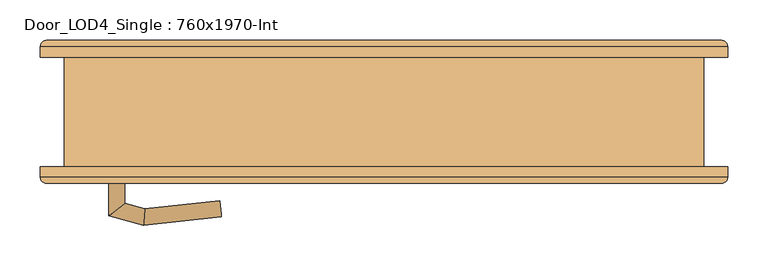
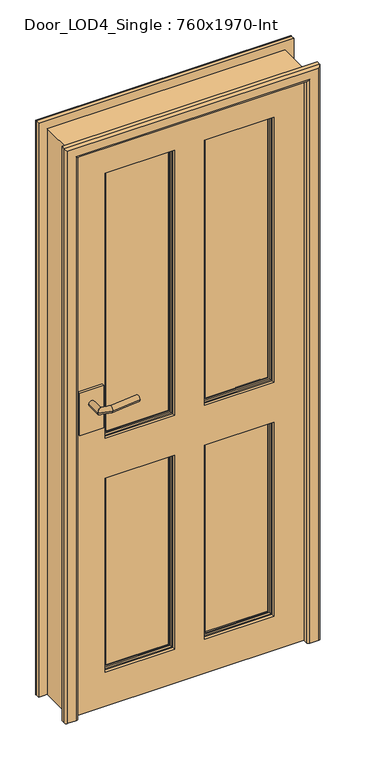
"""IFC4 building model written with IfcOpenShell, lengths in millimetres: door geometry, Door_LOD4_Single : 760x1970-Int."""

from ifc_helpers import new_model, si_unit, frame, origin, place, context, project, spatial, polyline, circle_curve, ellipse_curve, outline, extrude, faceted_brep, source, transform, mapped, element, save
from ifc_brep_helpers import plane_surface, cylinder_surface, advanced_brep


def door_lod4_single_760x1970_int_89f45eca(model_context):
    return source(origin(), model_context, "Body", "SolidModel", [
        advanced_brep(
        [(280.0000152, -37.5, 120.0), (50.0, -37.5, 120.0), (50.0, -37.5, 800.0), (280.0000152, -37.5, 800.0), (53.6443449, -37.5, 123.6443449), (276.3556703, -37.5, 123.6443449), (276.3556703, -37.5, 796.3556551), (53.6443449, -37.5, 796.3556551), (280.0000152, -57.5, 120.0), (280.0000152, -57.5, 800.0), (50.0, -57.5, 800.0), (50.0, -57.5, 120.0), (53.6443449, -57.5, 796.3556551), (276.3556703, -57.5, 796.3556551), (276.3556703, -57.5, 123.6443449), (53.6443449, -57.5, 123.6443449), (60.5, -49.8125, 789.5), (60.5, -52.8125, 789.5), (60.5, -52.8125, 130.5), (60.5, -49.8125, 130.5), (269.5000152, -52.8125, 130.5), (269.5000152, -49.8125, 130.5), (269.5000152, -52.8125, 789.5), (269.5000152, -49.8125, 789.5), (55.9375, -52.8125, 125.9375), (274.0625152, -52.8125, 125.9375), (274.0625152, -52.8125, 794.0625), (55.9375, -52.8125, 794.0625), (60.5, -42.1875, 789.5), (60.5, -45.1875, 789.5), (60.5, -45.1875, 130.5), (60.5, -42.1875, 130.5), (269.5000152, -45.1875, 130.5), (269.5000152, -42.1875, 130.5), (269.5000152, -45.1875, 789.5), (269.5000152, -42.1875, 789.5), (55.9375, -42.1875, 794.0625), (274.0625152, -42.1875, 794.0625), (274.0625152, -42.1875, 125.9375), (55.9375, -42.1875, 125.9375)],
        [
            (0, 1),
            (1, 2),
            (2, 3),
            (3, 0),
            (4, 5),
            (5, 6),
            (6, 7),
            (7, 4),
            (8, 9),
            (9, 10),
            (10, 11),
            (11, 8),
            (12, 13),
            (13, 14),
            (14, 15),
            (15, 12),
            (3, 9),
            (8, 0),
            (2, 10),
            (1, 11),
            (16, 17),
            (17, 18),
            (18, 19),
            (19, 16),
            (18, 20),
            (20, 21),
            (21, 19),
            (20, 22),
            (22, 23),
            (23, 21),
            (24, 25),
            (25, 26),
            (26, 27),
            (27, 24),
            (17, 22),
            (16, 23),
            (27, 12, ellipse_curve(frame((50.0, -52.8125, 800.0), z_axis=(-0.7071067811865475, 0.0, -0.7071067811865475), x_axis=(0.7071067811865474, 0.0, -0.7071067811865476)), 8.396893, 5.9375)),
            (15, 24, ellipse_curve(frame((50.0, -52.8125, 120.0), z_axis=(-0.7071067811865475, 0.0, 0.7071067811865475), x_axis=(-0.7071067811865474, 0.0, -0.7071067811865476)), 8.396893, 5.9375)),
            (14, 25, ellipse_curve(frame((280.0000152, -52.8125, 120.0), z_axis=(-0.7071067811865475, 0.0, -0.7071067811865475), x_axis=(0.7071067811865476, 0.0, -0.7071067811865474)), 8.396893, 5.9375)),
            (13, 26, ellipse_curve(frame((280.0000152, -52.8125, 800.0), z_axis=(0.7071067811865475, 0.0, -0.7071067811865475), x_axis=(0.7071067811865474, 0.0, 0.7071067811865476)), 8.396893, 5.9375)),
            (28, 29),
            (29, 30),
            (30, 31),
            (31, 28),
            (30, 32),
            (32, 33),
            (33, 31),
            (32, 34),
            (34, 35),
            (35, 33),
            (36, 37),
            (37, 38),
            (38, 39),
            (39, 36),
            (35, 28),
            (34, 29),
            (39, 4, ellipse_curve(frame((50.0, -42.1875, 120.0), z_axis=(-0.7071067811865475, 0.0, 0.7071067811865475), x_axis=(-0.7071067811865474, 0.0, -0.7071067811865476)), 8.396893, 5.9375)),
            (7, 36, ellipse_curve(frame((50.0, -42.1875, 800.0), z_axis=(-0.7071067811865475, 0.0, -0.7071067811865475), x_axis=(0.7071067811865474, 0.0, -0.7071067811865476)), 8.396893, 5.9375)),
            (38, 5, ellipse_curve(frame((280.0000152, -42.1875, 120.0), z_axis=(-0.7071067811865475, 0.0, -0.7071067811865475), x_axis=(0.7071067811865476, 0.0, -0.7071067811865474)), 8.396893, 5.9375)),
            (37, 6, ellipse_curve(frame((280.0000152, -42.1875, 800.0), z_axis=(0.7071067811865475, 0.0, -0.7071067811865475), x_axis=(0.7071067811865474, 0.0, 0.7071067811865476)), 8.396893, 5.9375)),
        ],
        [
            plane_surface(frame((280.0000152, -37.5, 120.0), z_axis=(0.0, 1.0, 0.0), x_axis=(0.0, 0.0, 1.0))),
            plane_surface(frame((280.0000152, -57.5, 120.0), z_axis=(0.0, -1.0, 0.0), x_axis=(0.0, 0.0, -1.0))),
            plane_surface(frame((280.0000152, -37.5, 120.0), z_axis=(1.0, 0.0, 0.0), x_axis=(0.0, -1.0, 0.0))),
            plane_surface(frame((280.0000152, -37.5, 800.0), z_axis=(0.0, 0.0, 1.0), x_axis=(0.0, -1.0, 0.0))),
            plane_surface(frame((50.0, -37.5, 800.0), z_axis=(-1.0, 0.0, 0.0), x_axis=(0.0, -1.0, 0.0))),
            plane_surface(frame((50.0, -37.5, 120.0), z_axis=(0.0, 0.0, -1.0), x_axis=(0.0, -1.0, 0.0))),
            plane_surface(frame((60.5, -52.8125, 789.5), z_axis=(1.0, 0.0, 0.0), x_axis=(0.0, 0.0, -1.0))),
            plane_surface(frame((60.5, -52.8125, 130.5), z_axis=(0.0, 0.0, 1.0), x_axis=(1.0, 0.0, 0.0))),
            plane_surface(frame((269.5000152, -52.8125, 130.5), z_axis=(-1.0, 0.0, 0.0), x_axis=(0.0, 0.0, 1.0))),
            plane_surface(frame((274.0625152, -52.8125, 794.0625), z_axis=(0.0, -1.0, 0.0), x_axis=(-1.0, 0.0, 0.0))),
            plane_surface(frame((269.5000152, -52.8125, 789.5), z_axis=(0.0, 0.0, -1.0), x_axis=(-1.0, 0.0, 0.0))),
            plane_surface(frame((269.5000152, -49.8125, 789.5), z_axis=(0.0, -1.0, 0.0), x_axis=(-1.0, 0.0, 0.0))),
            cylinder_surface(frame((50.0, -52.8125, 800.0), z_axis=(0.0, 0.0, -1.0), x_axis=(-1.0, 0.0, 0.0)), 5.9375),
            cylinder_surface(frame((50.0, -52.8125, 120.0), z_axis=(1.0, 0.0, 0.0), x_axis=(0.0, 0.0, -1.0)), 5.9375),
            cylinder_surface(frame((280.0000152, -52.8125, 120.0), z_axis=(0.0, 0.0, 1.0), x_axis=(1.0, 0.0, 0.0)), 5.9375),
            cylinder_surface(frame((280.0000152, -52.8125, 800.0), z_axis=(-1.0, 0.0, 0.0), x_axis=(0.0, 0.0, 1.0)), 5.9375),
            plane_surface(frame((60.5, -45.1875, 789.5), z_axis=(1.0, 0.0, 0.0), x_axis=(0.0, 0.0, -1.0))),
            plane_surface(frame((60.5, -45.1875, 130.5), z_axis=(0.0, 0.0, 1.0), x_axis=(1.0, 0.0, 0.0))),
            plane_surface(frame((269.5000152, -45.1875, 130.5), z_axis=(-1.0, 0.0, 0.0), x_axis=(0.0, 0.0, 1.0))),
            plane_surface(frame((269.5000152, -42.1875, 789.5), z_axis=(0.0, 1.0, 0.0), x_axis=(-1.0, 0.0, 0.0))),
            plane_surface(frame((269.5000152, -45.1875, 789.5), z_axis=(0.0, 0.0, -1.0), x_axis=(-1.0, 0.0, 0.0))),
            plane_surface(frame((246.5442628, -45.1875, 766.5442476), z_axis=(0.0, 1.0, 0.0), x_axis=(-1.0, 0.0, 0.0))),
            cylinder_surface(frame((50.0, -42.1875, 800.0), z_axis=(0.0, 0.0, -1.0), x_axis=(1.0, 0.0, 0.0)), 5.9375),
            cylinder_surface(frame((50.0, -42.1875, 120.0), z_axis=(1.0, 0.0, 0.0), x_axis=(0.0, 0.0, 1.0)), 5.9375),
            cylinder_surface(frame((280.0000152, -42.1875, 120.0), z_axis=(0.0, 0.0, 1.0), x_axis=(-1.0, 0.0, 0.0)), 5.9375),
            cylinder_surface(frame((280.0000152, -42.1875, 800.0), z_axis=(-1.0, 0.0, 0.0), x_axis=(0.0, 0.0, -1.0)), 5.9375),
        ],
        [
            (0, [[1, 2, 3, 4], [5, 6, 7, 8]]),
            (1, [[9, 10, 11, 12], [13, 14, 15, 16]]),
            (2, [[17, -9, 18, -4]]),
            (3, [[19, -10, -17, -3]]),
            (4, [[20, -11, -19, -2]]),
            (5, [[-18, -12, -20, -1]]),
            (6, [[21, 22, 23, 24]]),
            (7, [[25, 26, 27, -23]]),
            (8, [[28, 29, 30, -26]]),
            (9, [[31, 32, 33, 34], [35, -28, -25, -22]]),
            (10, [[36, -29, -35, -21]]),
            (11, [[-27, -30, -36, -24]]),
            (12, [[37, -16, 38, -34]]),
            (13, [[-38, -15, 39, -31]]),
            (14, [[-39, -14, 40, -32]]),
            (15, [[-40, -13, -37, -33]]),
            (16, [[41, 42, 43, 44]]),
            (17, [[45, 46, 47, -43]]),
            (18, [[48, 49, 50, -46]]),
            (19, [[51, 52, 53, 54], [-47, -50, 55, -44]]),
            (20, [[-55, -49, 56, -41]]),
            (21, [[-56, -48, -45, -42]]),
            (22, [[57, -8, 58, -54]]),
            (23, [[59, -5, -57, -53]]),
            (24, [[60, -6, -59, -52]]),
            (25, [[-58, -7, -60, -51]]),
        ],
    ),
        advanced_brep(
        [(-50.0, -37.5, 120.0), (-280.0000152, -37.5, 120.0), (-280.0000152, -37.5, 800.0), (-50.0, -37.5, 800.0), (-276.3556703, -37.5, 123.6443449), (-53.6443449, -37.5, 123.6443449), (-53.6443449, -37.5, 796.3556551), (-276.3556703, -37.5, 796.3556551), (-50.0, -57.5, 120.0), (-50.0, -57.5, 800.0), (-280.0000152, -57.5, 800.0), (-280.0000152, -57.5, 120.0), (-276.3556703, -57.5, 796.3556551), (-53.6443449, -57.5, 796.3556551), (-53.6443449, -57.5, 123.6443449), (-276.3556703, -57.5, 123.6443449), (-269.5000152, -49.8125, 789.5), (-269.5000152, -52.8125, 789.5), (-269.5000152, -52.8125, 130.5), (-269.5000152, -49.8125, 130.5), (-60.5, -52.8125, 130.5), (-60.5, -49.8125, 130.5), (-60.5, -52.8125, 789.5), (-60.5, -49.8125, 789.5), (-274.0625152, -52.8125, 125.9375), (-55.9375, -52.8125, 125.9375), (-55.9375, -52.8125, 794.0625), (-274.0625152, -52.8125, 794.0625), (-269.5000152, -42.1875, 789.5), (-269.5000152, -45.1875, 789.5), (-269.5000152, -45.1875, 130.5), (-269.5000152, -42.1875, 130.5), (-60.5, -45.1875, 130.5), (-60.5, -42.1875, 130.5), (-60.5, -45.1875, 789.5), (-60.5, -42.1875, 789.5), (-274.0625152, -42.1875, 794.0625), (-55.9375, -42.1875, 794.0625), (-55.9375, -42.1875, 125.9375), (-274.0625152, -42.1875, 125.9375)],
        [
            (0, 1),
            (1, 2),
            (2, 3),
            (3, 0),
            (4, 5),
            (5, 6),
            (6, 7),
            (7, 4),
            (8, 9),
            (9, 10),
            (10, 11),
            (11, 8),
            (12, 13),
            (13, 14),
            (14, 15),
            (15, 12),
            (3, 9),
            (8, 0),
            (2, 10),
            (1, 11),
            (16, 17),
            (17, 18),
            (18, 19),
            (19, 16),
            (18, 20),
            (20, 21),
            (21, 19),
            (20, 22),
            (22, 23),
            (23, 21),
            (24, 25),
            (25, 26),
            (26, 27),
            (27, 24),
            (17, 22),
            (16, 23),
            (27, 12, ellipse_curve(frame((-280.0000152, -52.8125, 800.0), z_axis=(-0.7071067811865475, 0.0, -0.7071067811865475), x_axis=(0.7071067811865474, 0.0, -0.7071067811865476)), 8.396893, 5.9375)),
            (15, 24, ellipse_curve(frame((-280.0000152, -52.8125, 120.0), z_axis=(-0.7071067811865475, 0.0, 0.7071067811865475), x_axis=(-0.7071067811865474, 0.0, -0.7071067811865476)), 8.396893, 5.9375)),
            (14, 25, ellipse_curve(frame((-50.0, -52.8125, 120.0), z_axis=(-0.7071067811865475, 0.0, -0.7071067811865475), x_axis=(0.7071067811865476, 0.0, -0.7071067811865474)), 8.396893, 5.9375)),
            (13, 26, ellipse_curve(frame((-50.0, -52.8125, 800.0), z_axis=(0.7071067811865475, 0.0, -0.7071067811865475), x_axis=(0.7071067811865474, 0.0, 0.7071067811865476)), 8.396893, 5.9375)),
            (28, 29),
            (29, 30),
            (30, 31),
            (31, 28),
            (30, 32),
            (32, 33),
            (33, 31),
            (32, 34),
            (34, 35),
            (35, 33),
            (36, 37),
            (37, 38),
            (38, 39),
            (39, 36),
            (35, 28),
            (34, 29),
            (39, 4, ellipse_curve(frame((-280.0000152, -42.1875, 120.0), z_axis=(-0.7071067811865475, 0.0, 0.7071067811865475), x_axis=(-0.7071067811865474, 0.0, -0.7071067811865476)), 8.396893, 5.9375)),
            (7, 36, ellipse_curve(frame((-280.0000152, -42.1875, 800.0), z_axis=(-0.7071067811865475, 0.0, -0.7071067811865475), x_axis=(0.7071067811865474, 0.0, -0.7071067811865476)), 8.396893, 5.9375)),
            (38, 5, ellipse_curve(frame((-50.0, -42.1875, 120.0), z_axis=(-0.7071067811865475, 0.0, -0.7071067811865475), x_axis=(0.7071067811865476, 0.0, -0.7071067811865474)), 8.396893, 5.9375)),
            (37, 6, ellipse_curve(frame((-50.0, -42.1875, 800.0), z_axis=(0.7071067811865475, 0.0, -0.7071067811865475), x_axis=(0.7071067811865474, 0.0, 0.7071067811865476)), 8.396893, 5.9375)),
        ],
        [
            plane_surface(frame((-50.0, -37.5, 120.0), z_axis=(0.0, 1.0, 0.0), x_axis=(0.0, 0.0, 1.0))),
            plane_surface(frame((-50.0, -57.5, 120.0), z_axis=(0.0, -1.0, 0.0), x_axis=(0.0, 0.0, -1.0))),
            plane_surface(frame((-50.0, -37.5, 120.0), z_axis=(1.0, 0.0, 0.0), x_axis=(0.0, -1.0, 0.0))),
            plane_surface(frame((-50.0, -37.5, 800.0), z_axis=(0.0, 0.0, 1.0), x_axis=(0.0, -1.0, 0.0))),
            plane_surface(frame((-280.0000152, -37.5, 800.0), z_axis=(-1.0, 0.0, 0.0), x_axis=(0.0, -1.0, 0.0))),
            plane_surface(frame((-280.0000152, -37.5, 120.0), z_axis=(0.0, 0.0, -1.0), x_axis=(0.0, -1.0, 0.0))),
            plane_surface(frame((-269.5000152, -52.8125, 789.5), z_axis=(1.0, 0.0, 0.0), x_axis=(0.0, 0.0, -1.0))),
            plane_surface(frame((-269.5000152, -52.8125, 130.5), z_axis=(0.0, 0.0, 1.0), x_axis=(1.0, 0.0, 0.0))),
            plane_surface(frame((-60.5, -52.8125, 130.5), z_axis=(-1.0, 0.0, 0.0), x_axis=(0.0, 0.0, 1.0))),
            plane_surface(frame((-55.9375, -52.8125, 794.0625), z_axis=(0.0, -1.0, 0.0), x_axis=(-1.0, 0.0, 0.0))),
            plane_surface(frame((-60.5, -52.8125, 789.5), z_axis=(0.0, 0.0, -1.0), x_axis=(-1.0, 0.0, 0.0))),
            plane_surface(frame((-60.5, -49.8125, 789.5), z_axis=(0.0, -1.0, 0.0), x_axis=(-1.0, 0.0, 0.0))),
            cylinder_surface(frame((-280.0000152, -52.8125, 800.0), z_axis=(0.0, 0.0, -1.0), x_axis=(-1.0, 0.0, 0.0)), 5.9375),
            cylinder_surface(frame((-280.0000152, -52.8125, 120.0), z_axis=(1.0, 0.0, 0.0), x_axis=(0.0, 0.0, -1.0)), 5.9375),
            cylinder_surface(frame((-50.0, -52.8125, 120.0), z_axis=(0.0, 0.0, 1.0), x_axis=(1.0, 0.0, 0.0)), 5.9375),
            cylinder_surface(frame((-50.0, -52.8125, 800.0), z_axis=(-1.0, 0.0, 0.0), x_axis=(0.0, 0.0, 1.0)), 5.9375),
            plane_surface(frame((-269.5000152, -45.1875, 789.5), z_axis=(1.0, 0.0, 0.0), x_axis=(0.0, 0.0, -1.0))),
            plane_surface(frame((-269.5000152, -45.1875, 130.5), z_axis=(0.0, 0.0, 1.0), x_axis=(1.0, 0.0, 0.0))),
            plane_surface(frame((-60.5, -45.1875, 130.5), z_axis=(-1.0, 0.0, 0.0), x_axis=(0.0, 0.0, 1.0))),
            plane_surface(frame((-60.5, -42.1875, 789.5), z_axis=(0.0, 1.0, 0.0), x_axis=(-1.0, 0.0, 0.0))),
            plane_surface(frame((-60.5, -45.1875, 789.5), z_axis=(0.0, 0.0, -1.0), x_axis=(-1.0, 0.0, 0.0))),
            plane_surface(frame((-83.4557524, -45.1875, 766.5442476), z_axis=(0.0, 1.0, 0.0), x_axis=(-1.0, 0.0, 0.0))),
            cylinder_surface(frame((-280.0000152, -42.1875, 800.0), z_axis=(0.0, 0.0, -1.0), x_axis=(1.0, 0.0, 0.0)), 5.9375),
            cylinder_surface(frame((-280.0000152, -42.1875, 120.0), z_axis=(1.0, 0.0, 0.0), x_axis=(0.0, 0.0, 1.0)), 5.9375),
            cylinder_surface(frame((-50.0, -42.1875, 120.0), z_axis=(0.0, 0.0, 1.0), x_axis=(-1.0, 0.0, 0.0)), 5.9375),
            cylinder_surface(frame((-50.0, -42.1875, 800.0), z_axis=(-1.0, 0.0, 0.0), x_axis=(0.0, 0.0, -1.0)), 5.9375),
        ],
        [
            (0, [[1, 2, 3, 4], [5, 6, 7, 8]]),
            (1, [[9, 10, 11, 12], [13, 14, 15, 16]]),
            (2, [[17, -9, 18, -4]]),
            (3, [[19, -10, -17, -3]]),
            (4, [[20, -11, -19, -2]]),
            (5, [[-18, -12, -20, -1]]),
            (6, [[21, 22, 23, 24]]),
            (7, [[25, 26, 27, -23]]),
            (8, [[28, 29, 30, -26]]),
            (9, [[31, 32, 33, 34], [35, -28, -25, -22]]),
            (10, [[36, -29, -35, -21]]),
            (11, [[-27, -30, -36, -24]]),
            (12, [[37, -16, 38, -34]]),
            (13, [[-38, -15, 39, -31]]),
            (14, [[-39, -14, 40, -32]]),
            (15, [[-40, -13, -37, -33]]),
            (16, [[41, 42, 43, 44]]),
            (17, [[45, 46, 47, -43]]),
            (18, [[48, 49, 50, -46]]),
            (19, [[51, 52, 53, 54], [-47, -50, 55, -44]]),
            (20, [[-55, -49, 56, -41]]),
            (21, [[-56, -48, -45, -42]]),
            (22, [[57, -8, 58, -54]]),
            (23, [[59, -5, -57, -53]]),
            (24, [[60, -6, -59, -52]]),
            (25, [[-58, -7, -60, -51]]),
        ],
    ),
        advanced_brep(
        [(280.0000152, -37.5, 940.0), (50.0, -37.5, 940.0), (50.0, -37.5, 1870.0000789), (280.0000152, -37.5, 1870.0000789), (53.6443449, -37.5, 943.6443449), (276.3556703, -37.5, 943.6443449), (276.3556703, -37.5, 1866.355734), (53.6443449, -37.5, 1866.355734), (280.0000152, -57.5, 940.0), (280.0000152, -57.5, 1870.0000789), (50.0, -57.5, 1870.0000789), (50.0, -57.5, 940.0), (53.6443449, -57.5, 1866.355734), (276.3556703, -57.5, 1866.355734), (276.3556703, -57.5, 943.6443449), (53.6443449, -57.5, 943.6443449), (60.5, -49.8125, 1859.5000789), (60.5, -52.8125, 1859.5000789), (60.5, -52.8125, 950.5), (60.5, -49.8125, 950.5), (269.5000152, -52.8125, 950.5), (269.5000152, -49.8125, 950.5), (269.5000152, -52.8125, 1859.5000789), (269.5000152, -49.8125, 1859.5000789), (55.9375, -52.8125, 945.9375), (274.0625152, -52.8125, 945.9375), (274.0625152, -52.8125, 1864.0625789), (55.9375, -52.8125, 1864.0625789), (60.5, -42.1875, 1859.5000789), (60.5, -45.1875, 1859.5000789), (60.5, -45.1875, 950.5), (60.5, -42.1875, 950.5), (269.5000152, -45.1875, 950.5), (269.5000152, -42.1875, 950.5), (269.5000152, -45.1875, 1859.5000789), (269.5000152, -42.1875, 1859.5000789), (55.9375, -42.1875, 1864.0625789), (274.0625152, -42.1875, 1864.0625789), (274.0625152, -42.1875, 945.9375), (55.9375, -42.1875, 945.9375)],
        [
            (0, 1),
            (1, 2),
            (2, 3),
            (3, 0),
            (4, 5),
            (5, 6),
            (6, 7),
            (7, 4),
            (8, 9),
            (9, 10),
            (10, 11),
            (11, 8),
            (12, 13),
            (13, 14),
            (14, 15),
            (15, 12),
            (3, 9),
            (8, 0),
            (2, 10),
            (1, 11),
            (16, 17),
            (17, 18),
            (18, 19),
            (19, 16),
            (18, 20),
            (20, 21),
            (21, 19),
            (20, 22),
            (22, 23),
            (23, 21),
            (24, 25),
            (25, 26),
            (26, 27),
            (27, 24),
            (17, 22),
            (16, 23),
            (27, 12, ellipse_curve(frame((50.0, -52.8125, 1870.0000789), z_axis=(-0.7071067811865475, 0.0, -0.7071067811865475), x_axis=(0.7071067811865474, 0.0, -0.7071067811865476)), 8.396893, 5.9375)),
            (15, 24, ellipse_curve(frame((50.0, -52.8125, 940.0), z_axis=(-0.7071067811865475, 0.0, 0.7071067811865475), x_axis=(-0.7071067811865474, 0.0, -0.7071067811865476)), 8.396893, 5.9375)),
            (14, 25, ellipse_curve(frame((280.0000152, -52.8125, 940.0), z_axis=(-0.7071067811865475, 0.0, -0.7071067811865475), x_axis=(0.7071067811865476, 0.0, -0.7071067811865474)), 8.396893, 5.9375)),
            (13, 26, ellipse_curve(frame((280.0000152, -52.8125, 1870.0000789), z_axis=(0.7071067811865475, 0.0, -0.7071067811865475), x_axis=(0.7071067811865474, 0.0, 0.7071067811865476)), 8.396893, 5.9375)),
            (28, 29),
            (29, 30),
            (30, 31),
            (31, 28),
            (30, 32),
            (32, 33),
            (33, 31),
            (32, 34),
            (34, 35),
            (35, 33),
            (36, 37),
            (37, 38),
            (38, 39),
            (39, 36),
            (35, 28),
            (34, 29),
            (39, 4, ellipse_curve(frame((50.0, -42.1875, 940.0), z_axis=(-0.7071067811865475, 0.0, 0.7071067811865475), x_axis=(-0.7071067811865474, 0.0, -0.7071067811865476)), 8.396893, 5.9375)),
            (7, 36, ellipse_curve(frame((50.0, -42.1875, 1870.0000789), z_axis=(-0.7071067811865475, 0.0, -0.7071067811865475), x_axis=(0.7071067811865474, 0.0, -0.7071067811865476)), 8.396893, 5.9375)),
            (38, 5, ellipse_curve(frame((280.0000152, -42.1875, 940.0), z_axis=(-0.7071067811865475, 0.0, -0.7071067811865475), x_axis=(0.7071067811865476, 0.0, -0.7071067811865474)), 8.396893, 5.9375)),
            (37, 6, ellipse_curve(frame((280.0000152, -42.1875, 1870.0000789), z_axis=(0.7071067811865475, 0.0, -0.7071067811865475), x_axis=(0.7071067811865474, 0.0, 0.7071067811865476)), 8.396893, 5.9375)),
        ],
        [
            plane_surface(frame((280.0000152, -37.5, 940.0), z_axis=(0.0, 1.0, 0.0), x_axis=(0.0, 0.0, 1.0))),
            plane_surface(frame((280.0000152, -57.5, 940.0), z_axis=(0.0, -1.0, 0.0), x_axis=(0.0, 0.0, -1.0))),
            plane_surface(frame((280.0000152, -37.5, 940.0), z_axis=(1.0, 0.0, 0.0), x_axis=(0.0, -1.0, 0.0))),
            plane_surface(frame((280.0000152, -37.5, 1870.0000789), z_axis=(0.0, 0.0, 1.0), x_axis=(0.0, -1.0, 0.0))),
            plane_surface(frame((50.0, -37.5, 1870.0000789), z_axis=(-1.0, 0.0, 0.0), x_axis=(0.0, -1.0, 0.0))),
            plane_surface(frame((50.0, -37.5, 940.0), z_axis=(0.0, 0.0, -1.0), x_axis=(0.0, -1.0, 0.0))),
            plane_surface(frame((60.5, -52.8125, 1859.5000789), z_axis=(1.0, 0.0, 0.0), x_axis=(0.0, 0.0, -1.0))),
            plane_surface(frame((60.5, -52.8125, 950.5), z_axis=(0.0, 0.0, 1.0), x_axis=(1.0, 0.0, 0.0))),
            plane_surface(frame((269.5000152, -52.8125, 950.5), z_axis=(-1.0, 0.0, 0.0), x_axis=(0.0, 0.0, 1.0))),
            plane_surface(frame((274.0625152, -52.8125, 1864.0625789), z_axis=(0.0, -1.0, 0.0), x_axis=(-1.0, 0.0, 0.0))),
            plane_surface(frame((269.5000152, -52.8125, 1859.5000789), z_axis=(0.0, 0.0, -1.0), x_axis=(-1.0, 0.0, 0.0))),
            plane_surface(frame((269.5000152, -49.8125, 1859.5000789), z_axis=(0.0, -1.0, 0.0), x_axis=(-1.0, 0.0, 0.0))),
            cylinder_surface(frame((50.0, -52.8125, 1870.0000789), z_axis=(0.0, 0.0, -1.0), x_axis=(-1.0, 0.0, 0.0)), 5.9375),
            cylinder_surface(frame((50.0, -52.8125, 940.0), z_axis=(1.0, 0.0, 0.0), x_axis=(0.0, 0.0, -1.0)), 5.9375),
            cylinder_surface(frame((280.0000152, -52.8125, 940.0), z_axis=(0.0, 0.0, 1.0), x_axis=(1.0, 0.0, 0.0)), 5.9375),
            cylinder_surface(frame((280.0000152, -52.8125, 1870.0000789), z_axis=(-1.0, 0.0, 0.0), x_axis=(0.0, 0.0, 1.0)), 5.9375),
            plane_surface(frame((60.5, -45.1875, 1859.5000789), z_axis=(1.0, 0.0, 0.0), x_axis=(0.0, 0.0, -1.0))),
            plane_surface(frame((60.5, -45.1875, 950.5), z_axis=(0.0, 0.0, 1.0), x_axis=(1.0, 0.0, 0.0))),
            plane_surface(frame((269.5000152, -45.1875, 950.5), z_axis=(-1.0, 0.0, 0.0), x_axis=(0.0, 0.0, 1.0))),
            plane_surface(frame((269.5000152, -42.1875, 1859.5000789), z_axis=(0.0, 1.0, 0.0), x_axis=(-1.0, 0.0, 0.0))),
            plane_surface(frame((269.5000152, -45.1875, 1859.5000789), z_axis=(0.0, 0.0, -1.0), x_axis=(-1.0, 0.0, 0.0))),
            plane_surface(frame((246.5442628, -45.1875, 1836.5443265), z_axis=(0.0, 1.0, 0.0), x_axis=(-1.0, 0.0, 0.0))),
            cylinder_surface(frame((50.0, -42.1875, 1870.0000789), z_axis=(0.0, 0.0, -1.0), x_axis=(1.0, 0.0, 0.0)), 5.9375),
            cylinder_surface(frame((50.0, -42.1875, 940.0), z_axis=(1.0, 0.0, 0.0), x_axis=(0.0, 0.0, 1.0)), 5.9375),
            cylinder_surface(frame((280.0000152, -42.1875, 940.0), z_axis=(0.0, 0.0, 1.0), x_axis=(-1.0, 0.0, 0.0)), 5.9375),
            cylinder_surface(frame((280.0000152, -42.1875, 1870.0000789), z_axis=(-1.0, 0.0, 0.0), x_axis=(0.0, 0.0, -1.0)), 5.9375),
        ],
        [
            (0, [[1, 2, 3, 4], [5, 6, 7, 8]]),
            (1, [[9, 10, 11, 12], [13, 14, 15, 16]]),
            (2, [[17, -9, 18, -4]]),
            (3, [[19, -10, -17, -3]]),
            (4, [[20, -11, -19, -2]]),
            (5, [[-18, -12, -20, -1]]),
            (6, [[21, 22, 23, 24]]),
            (7, [[25, 26, 27, -23]]),
            (8, [[28, 29, 30, -26]]),
            (9, [[31, 32, 33, 34], [35, -28, -25, -22]]),
            (10, [[36, -29, -35, -21]]),
            (11, [[-27, -30, -36, -24]]),
            (12, [[37, -16, 38, -34]]),
            (13, [[-38, -15, 39, -31]]),
            (14, [[-39, -14, 40, -32]]),
            (15, [[-40, -13, -37, -33]]),
            (16, [[41, 42, 43, 44]]),
            (17, [[45, 46, 47, -43]]),
            (18, [[48, 49, 50, -46]]),
            (19, [[51, 52, 53, 54], [-47, -50, 55, -44]]),
            (20, [[-55, -49, 56, -41]]),
            (21, [[-56, -48, -45, -42]]),
            (22, [[57, -8, 58, -54]]),
            (23, [[59, -5, -57, -53]]),
            (24, [[60, -6, -59, -52]]),
            (25, [[-58, -7, -60, -51]]),
        ],
    ),
        advanced_brep(
        [(-50.0, -37.5, 940.0), (-280.0000152, -37.5, 940.0), (-280.0000152, -37.5, 1870.0000789), (-50.0, -37.5, 1870.0000789), (-276.3556703, -37.5, 943.6443449), (-53.6443449, -37.5, 943.6443449), (-53.6443449, -37.5, 1866.355734), (-276.3556703, -37.5, 1866.355734), (-50.0, -57.5, 940.0), (-50.0, -57.5, 1870.0000789), (-280.0000152, -57.5, 1870.0000789), (-280.0000152, -57.5, 940.0), (-276.3556703, -57.5, 1866.355734), (-53.6443449, -57.5, 1866.355734), (-53.6443449, -57.5, 943.6443449), (-276.3556703, -57.5, 943.6443449), (-269.5000152, -49.8125, 1859.5000789), (-269.5000152, -52.8125, 1859.5000789), (-269.5000152, -52.8125, 950.5), (-269.5000152, -49.8125, 950.5), (-60.5, -52.8125, 950.5), (-60.5, -49.8125, 950.5), (-60.5, -52.8125, 1859.5000789), (-60.5, -49.8125, 1859.5000789), (-274.0625152, -52.8125, 945.9375), (-55.9375, -52.8125, 945.9375), (-55.9375, -52.8125, 1864.0625789), (-274.0625152, -52.8125, 1864.0625789), (-269.5000152, -42.1875, 1859.5000789), (-269.5000152, -45.1875, 1859.5000789), (-269.5000152, -45.1875, 950.5), (-269.5000152, -42.1875, 950.5), (-60.5, -45.1875, 950.5), (-60.5, -42.1875, 950.5), (-60.5, -45.1875, 1859.5000789), (-60.5, -42.1875, 1859.5000789), (-274.0625152, -42.1875, 1864.0625789), (-55.9375, -42.1875, 1864.0625789), (-55.9375, -42.1875, 945.9375), (-274.0625152, -42.1875, 945.9375)],
        [
            (0, 1),
            (1, 2),
            (2, 3),
            (3, 0),
            (4, 5),
            (5, 6),
            (6, 7),
            (7, 4),
            (8, 9),
            (9, 10),
            (10, 11),
            (11, 8),
            (12, 13),
            (13, 14),
            (14, 15),
            (15, 12),
            (3, 9),
            (8, 0),
            (2, 10),
            (1, 11),
            (16, 17),
            (17, 18),
            (18, 19),
            (19, 16),
            (18, 20),
            (20, 21),
            (21, 19),
            (20, 22),
            (22, 23),
            (23, 21),
            (24, 25),
            (25, 26),
            (26, 27),
            (27, 24),
            (17, 22),
            (16, 23),
            (27, 12, ellipse_curve(frame((-280.0000152, -52.8125, 1870.0000789), z_axis=(-0.7071067811865475, 0.0, -0.7071067811865475), x_axis=(0.7071067811865474, 0.0, -0.7071067811865476)), 8.396893, 5.9375)),
            (15, 24, ellipse_curve(frame((-280.0000152, -52.8125, 940.0), z_axis=(-0.7071067811865475, 0.0, 0.7071067811865475), x_axis=(-0.7071067811865474, 0.0, -0.7071067811865476)), 8.396893, 5.9375)),
            (14, 25, ellipse_curve(frame((-50.0, -52.8125, 940.0), z_axis=(-0.7071067811865475, 0.0, -0.7071067811865475), x_axis=(0.7071067811865476, 0.0, -0.7071067811865474)), 8.396893, 5.9375)),
            (13, 26, ellipse_curve(frame((-50.0, -52.8125, 1870.0000789), z_axis=(0.7071067811865475, 0.0, -0.7071067811865475), x_axis=(0.7071067811865474, 0.0, 0.7071067811865476)), 8.396893, 5.9375)),
            (28, 29),
            (29, 30),
            (30, 31),
            (31, 28),
            (30, 32),
            (32, 33),
            (33, 31),
            (32, 34),
            (34, 35),
            (35, 33),
            (36, 37),
            (37, 38),
            (38, 39),
            (39, 36),
            (35, 28),
            (34, 29),
            (39, 4, ellipse_curve(frame((-280.0000152, -42.1875, 940.0), z_axis=(-0.7071067811865475, 0.0, 0.7071067811865475), x_axis=(-0.7071067811865474, 0.0, -0.7071067811865476)), 8.396893, 5.9375)),
            (7, 36, ellipse_curve(frame((-280.0000152, -42.1875, 1870.0000789), z_axis=(-0.7071067811865475, 0.0, -0.7071067811865475), x_axis=(0.7071067811865474, 0.0, -0.7071067811865476)), 8.396893, 5.9375)),
            (38, 5, ellipse_curve(frame((-50.0, -42.1875, 940.0), z_axis=(-0.7071067811865475, 0.0, -0.7071067811865475), x_axis=(0.7071067811865476, 0.0, -0.7071067811865474)), 8.396893, 5.9375)),
            (37, 6, ellipse_curve(frame((-50.0, -42.1875, 1870.0000789), z_axis=(0.7071067811865475, 0.0, -0.7071067811865475), x_axis=(0.7071067811865474, 0.0, 0.7071067811865476)), 8.396893, 5.9375)),
        ],
        [
            plane_surface(frame((-50.0, -37.5, 940.0), z_axis=(0.0, 1.0, 0.0), x_axis=(0.0, 0.0, 1.0))),
            plane_surface(frame((-50.0, -57.5, 940.0), z_axis=(0.0, -1.0, 0.0), x_axis=(0.0, 0.0, -1.0))),
            plane_surface(frame((-50.0, -37.5, 940.0), z_axis=(1.0, 0.0, 0.0), x_axis=(0.0, -1.0, 0.0))),
            plane_surface(frame((-50.0, -37.5, 1870.0000789), z_axis=(0.0, 0.0, 1.0), x_axis=(0.0, -1.0, 0.0))),
            plane_surface(frame((-280.0000152, -37.5, 1870.0000789), z_axis=(-1.0, 0.0, 0.0), x_axis=(0.0, -1.0, 0.0))),
            plane_surface(frame((-280.0000152, -37.5, 940.0), z_axis=(0.0, 0.0, -1.0), x_axis=(0.0, -1.0, 0.0))),
            plane_surface(frame((-269.5000152, -52.8125, 1859.5000789), z_axis=(1.0, 0.0, 0.0), x_axis=(0.0, 0.0, -1.0))),
            plane_surface(frame((-269.5000152, -52.8125, 950.5), z_axis=(0.0, 0.0, 1.0), x_axis=(1.0, 0.0, 0.0))),
            plane_surface(frame((-60.5, -52.8125, 950.5), z_axis=(-1.0, 0.0, 0.0), x_axis=(0.0, 0.0, 1.0))),
            plane_surface(frame((-55.9375, -52.8125, 1864.0625789), z_axis=(0.0, -1.0, 0.0), x_axis=(-1.0, 0.0, 0.0))),
            plane_surface(frame((-60.5, -52.8125, 1859.5000789), z_axis=(0.0, 0.0, -1.0), x_axis=(-1.0, 0.0, 0.0))),
            plane_surface(frame((-60.5, -49.8125, 1859.5000789), z_axis=(0.0, -1.0, 0.0), x_axis=(-1.0, 0.0, 0.0))),
            cylinder_surface(frame((-280.0000152, -52.8125, 1870.0000789), z_axis=(0.0, 0.0, -1.0), x_axis=(-1.0, 0.0, 0.0)), 5.9375),
            cylinder_surface(frame((-280.0000152, -52.8125, 940.0), z_axis=(1.0, 0.0, 0.0), x_axis=(0.0, 0.0, -1.0)), 5.9375),
            cylinder_surface(frame((-50.0, -52.8125, 940.0), z_axis=(0.0, 0.0, 1.0), x_axis=(1.0, 0.0, 0.0)), 5.9375),
            cylinder_surface(frame((-50.0, -52.8125, 1870.0000789), z_axis=(-1.0, 0.0, 0.0), x_axis=(0.0, 0.0, 1.0)), 5.9375),
            plane_surface(frame((-269.5000152, -45.1875, 1859.5000789), z_axis=(1.0, 0.0, 0.0), x_axis=(0.0, 0.0, -1.0))),
            plane_surface(frame((-269.5000152, -45.1875, 950.5), z_axis=(0.0, 0.0, 1.0), x_axis=(1.0, 0.0, 0.0))),
            plane_surface(frame((-60.5, -45.1875, 950.5), z_axis=(-1.0, 0.0, 0.0), x_axis=(0.0, 0.0, 1.0))),
            plane_surface(frame((-60.5, -42.1875, 1859.5000789), z_axis=(0.0, 1.0, 0.0), x_axis=(-1.0, 0.0, 0.0))),
            plane_surface(frame((-60.5, -45.1875, 1859.5000789), z_axis=(0.0, 0.0, -1.0), x_axis=(-1.0, 0.0, 0.0))),
            plane_surface(frame((-83.4557524, -45.1875, 1836.5443265), z_axis=(0.0, 1.0, 0.0), x_axis=(-1.0, 0.0, 0.0))),
            cylinder_surface(frame((-280.0000152, -42.1875, 1870.0000789), z_axis=(0.0, 0.0, -1.0), x_axis=(1.0, 0.0, 0.0)), 5.9375),
            cylinder_surface(frame((-280.0000152, -42.1875, 940.0), z_axis=(1.0, 0.0, 0.0), x_axis=(0.0, 0.0, 1.0)), 5.9375),
            cylinder_surface(frame((-50.0, -42.1875, 940.0), z_axis=(0.0, 0.0, 1.0), x_axis=(-1.0, 0.0, 0.0)), 5.9375),
            cylinder_surface(frame((-50.0, -42.1875, 1870.0000789), z_axis=(-1.0, 0.0, 0.0), x_axis=(0.0, 0.0, -1.0)), 5.9375),
        ],
        [
            (0, [[1, 2, 3, 4], [5, 6, 7, 8]]),
            (1, [[9, 10, 11, 12], [13, 14, 15, 16]]),
            (2, [[17, -9, 18, -4]]),
            (3, [[19, -10, -17, -3]]),
            (4, [[20, -11, -19, -2]]),
            (5, [[-18, -12, -20, -1]]),
            (6, [[21, 22, 23, 24]]),
            (7, [[25, 26, 27, -23]]),
            (8, [[28, 29, 30, -26]]),
            (9, [[31, 32, 33, 34], [35, -28, -25, -22]]),
            (10, [[36, -29, -35, -21]]),
            (11, [[-27, -30, -36, -24]]),
            (12, [[37, -16, 38, -34]]),
            (13, [[-38, -15, 39, -31]]),
            (14, [[-39, -14, 40, -32]]),
            (15, [[-40, -13, -37, -33]]),
            (16, [[41, 42, 43, 44]]),
            (17, [[45, 46, 47, -43]]),
            (18, [[48, 49, 50, -46]]),
            (19, [[51, 52, 53, 54], [-47, -50, 55, -44]]),
            (20, [[-55, -49, 56, -41]]),
            (21, [[-56, -48, -45, -42]]),
            (22, [[57, -8, 58, -54]]),
            (23, [[59, -5, -57, -53]]),
            (24, [[60, -6, -59, -52]]),
            (25, [[-58, -7, -60, -51]]),
        ],
    ),
        extrude(outline(polyline([(1970.0000789, -380.0000152), (0.0, -380.0000152), (0.0, 380.0000152), (1970.0000789, 380.0000152), (1970.0000789, -380.0000152)]), holes=[polyline([(800.0, -50.0), (120.0, -50.0), (120.0, -280.0000152), (800.0, -280.0000152), (800.0, -50.0)]), polyline([(800.0, 280.0000152), (120.0, 280.0000152), (120.0, 50.0), (800.0, 50.0), (800.0, 280.0000152)]), polyline([(1870.0000789, -50.0), (940.0, -50.0), (940.0, -280.0000152), (1870.0000789, -280.0000152), (1870.0000789, -50.0)]), polyline([(1870.0000789, 280.0000152), (940.0, 280.0000152), (940.0, 50.0), (1870.0000789, 50.0), (1870.0000789, 280.0000152)])]), frame((0.0, -67.5, 0.0), z_axis=(0.0, 1.0, 0.0), x_axis=(0.0, 0.0, 1.0)), (0.0, 0.0, 1.0), 40.0),
        advanced_brep(
        [(-340.0000152, -19.5, 1085.0000394), (-320.0000152, -19.5, 1085.0000394), (-340.0000152, 33.1732699, 1085.0000394), (-320.0000152, 17.8267301, 1085.0000394), (-296.9904233, 44.6976553, 1085.0000394), (-295.3947993, 24.4196778, 1085.0000394), (-200.6930709, 34.5736521, 1085.0000394), (-202.7842007, 14.6832731, 1085.0000394)],
        [
            (0, 1, circle_curve(frame((-330.0000152, -19.5, 1085.0000394), z_axis=(0.0, -1.0, 0.0), x_axis=(1.0, 0.0, 0.0)), 10.0)),
            (1, 0, circle_curve(frame((-330.0000152, -19.5, 1085.0000394), z_axis=(0.0, -1.0, 0.0), x_axis=(1.0, 0.0, 0.0)), 10.0)),
            (0, 2),
            (2, 3, ellipse_curve(frame((-330.0000152, 25.5, 1085.0000394), z_axis=(-0.6087614290087403, -0.79335334029122, 0.0), x_axis=(0.7933533402912198, -0.6087614290087406, 0.0)), 12.6047241, 10.0)),
            (3, 1),
            (3, 2, ellipse_curve(frame((-330.0000152, 25.5, 1085.0000394), z_axis=(-0.6087614290087403, -0.79335334029122, 0.0), x_axis=(0.7933533402912198, -0.6087614290087406, 0.0)), 12.6047241, 10.0)),
            (2, 4),
            (4, 5, ellipse_curve(frame((-296.1926113, 34.5586666, 1085.0000394), z_axis=(-0.9969184391323764, -0.07844504903348702, 0.0), x_axis=(0.07844504903348593, -0.9969184391323765, 0.0)), 10.1703292, 10.0)),
            (5, 3),
            (5, 4, ellipse_curve(frame((-296.1926113, 34.5586666, 1085.0000394), z_axis=(-0.9969184391323764, -0.07844504903348702, 0.0), x_axis=(0.07844504903348593, -0.9969184391323765, 0.0)), 10.1703292, 10.0)),
            (6, 7, circle_curve(frame((-201.7386358, 24.6284626, 1085.0000394), z_axis=(0.9945189493358518, -0.10455648909519343, 0.0), x_axis=(-0.10455648909519343, -0.9945189493358518, 0.0)), 10.0)),
            (7, 6, circle_curve(frame((-201.7386358, 24.6284626, 1085.0000394), z_axis=(0.9945189493358518, -0.10455648909519343, 0.0), x_axis=(-0.10455648909519343, -0.9945189493358518, 0.0)), 10.0)),
            (4, 6),
            (7, 5),
        ],
        [
            plane_surface(frame((-330.0000152, -19.5, 1085.0000394), z_axis=(0.0, -1.0, 0.0), x_axis=(0.0, 0.0, 1.0))),
            cylinder_surface(frame((-330.0000152, -19.5, 1085.0000394), z_axis=(0.0, -1.0, 0.0), x_axis=(1.0, 0.0, 0.0)), 10.0),
            cylinder_surface(frame((-330.0000152, 25.5, 1085.0000394), z_axis=(-0.965925826289083, -0.2588190451024665, 0.0), x_axis=(0.2588190451024665, -0.965925826289083, 0.0)), 10.0),
            plane_surface(frame((-201.7386358, 24.6284626, 1085.0000394), z_axis=(0.9945189493358518, -0.10455648909519348, 0.0), x_axis=(0.0, 0.0, 1.0))),
            cylinder_surface(frame((-296.1926113, 34.5586666, 1085.0000394), z_axis=(-0.9945189493358518, 0.10455648909519343, 0.0), x_axis=(-0.10455648909519343, -0.9945189493358518, 0.0)), 10.0),
        ],
        [
            (0, [[1, 2]]),
            (1, [[-1, 3, 4, 5]]),
            (1, [[-2, -5, 6, -3]]),
            (2, [[-4, 7, 8, 9]]),
            (2, [[-6, -9, 10, -7]]),
            (3, [[11, 12]]),
            (4, [[-8, 13, -12, 14]]),
            (4, [[-10, -14, -11, -13]]),
        ],
    ),
        extrude(outline(polyline([(-370.0000152, -19.5), (-290.0000152, -19.5), (-290.0000152, -27.5), (-370.0000152, -27.5), (-370.0000152, -19.5)])), frame((0.0, 0.0, 985.0000394), z_axis=(0.0, 0.0, 1.0), x_axis=(1.0, 0.0, 0.0)), (0.0, 0.0, 1.0), 150.0),
        advanced_brep(
        [(-340.0000152, -75.5, 1085.0000394), (-320.0000152, -75.5, 1085.0000394), (-320.0000152, -112.8267301, 1085.0000394), (-340.0000152, -128.1732699, 1085.0000394), (-295.3947993, -119.4196778, 1085.0000394), (-296.9904233, -139.6976553, 1085.0000394), (-200.6930709, -129.5736521, 1085.0000394), (-202.7842007, -109.6832731, 1085.0000394)],
        [
            (0, 1, circle_curve(frame((-330.0000152, -75.5, 1085.0000394), z_axis=(0.0, 1.0, 0.0), x_axis=(1.0, 0.0, 0.0)), 10.0)),
            (1, 0, circle_curve(frame((-330.0000152, -75.5, 1085.0000394), z_axis=(0.0, 1.0, 0.0), x_axis=(1.0, 0.0, 0.0)), 10.0)),
            (1, 2),
            (2, 3, ellipse_curve(frame((-330.0000152, -120.5, 1085.0000394), z_axis=(-0.6087614290087454, 0.793353340291216, 0.0), x_axis=(0.793353340291216, 0.6087614290087459, 0.0)), 12.6047241, 10.0)),
            (3, 0),
            (3, 2, ellipse_curve(frame((-330.0000152, -120.5, 1085.0000394), z_axis=(-0.6087614290087454, 0.793353340291216, 0.0), x_axis=(0.793353340291216, 0.6087614290087459, 0.0)), 12.6047241, 10.0)),
            (2, 4),
            (4, 5, ellipse_curve(frame((-296.1926113, -129.5586666, 1085.0000394), z_axis=(-0.9969184391323771, 0.07844504903348057, 0.0), x_axis=(0.07844504903348166, 0.9969184391323769, 0.0)), 10.1703292, 10.0)),
            (5, 3),
            (5, 4, ellipse_curve(frame((-296.1926113, -129.5586666, 1085.0000394), z_axis=(-0.9969184391323771, 0.07844504903348057, 0.0), x_axis=(0.07844504903348166, 0.9969184391323769, 0.0)), 10.1703292, 10.0)),
            (6, 7, circle_curve(frame((-201.7386358, -119.6284626, 1085.0000394), z_axis=(0.9945189493358512, 0.10455648909519989, 0.0), x_axis=(-0.10455648909519989, 0.9945189493358512, 0.0)), 10.0)),
            (7, 6, circle_curve(frame((-201.7386358, -119.6284626, 1085.0000394), z_axis=(0.9945189493358512, 0.10455648909519989, 0.0), x_axis=(-0.10455648909519989, 0.9945189493358512, 0.0)), 10.0)),
            (4, 7),
            (6, 5),
        ],
        [
            plane_surface(frame((-330.0000152, -75.5, 1085.0000394), z_axis=(0.0, 1.0, 0.0), x_axis=(0.0, 0.0, 1.0))),
            cylinder_surface(frame((-330.0000152, -75.5, 1085.0000394), z_axis=(0.0, 1.0, 0.0), x_axis=(1.0, 0.0, 0.0)), 10.0),
            cylinder_surface(frame((-330.0000152, -120.5, 1085.0000394), z_axis=(-0.9659258262890846, 0.25881904510246023, 0.0), x_axis=(0.25881904510246023, 0.9659258262890846, 0.0)), 10.0),
            plane_surface(frame((-201.7386358, -119.6284626, 1085.0000394), z_axis=(0.9945189493358512, 0.10455648909519995, 0.0), x_axis=(0.0, 0.0, 1.0))),
            cylinder_surface(frame((-296.1926113, -129.5586666, 1085.0000394), z_axis=(-0.9945189493358512, -0.10455648909519989, 0.0), x_axis=(-0.10455648909519989, 0.9945189493358512, 0.0)), 10.0),
        ],
        [
            (0, [[1, 2]]),
            (1, [[3, 4, 5, -2]]),
            (1, [[-5, 6, -3, -1]]),
            (2, [[7, 8, 9, -4]]),
            (2, [[-9, 10, -7, -6]]),
            (3, [[11, 12]]),
            (4, [[13, -11, 14, -8]]),
            (4, [[-14, -12, -13, -10]]),
        ],
    ),
        extrude(outline(polyline([(-370.0000152, -75.5), (-370.0000152, -67.5), (-290.0000152, -67.5), (-290.0000152, -75.5), (-370.0000152, -75.5)])), frame((0.0, 0.0, 985.0000394), z_axis=(0.0, 0.0, 1.0), x_axis=(1.0, 0.0, 0.0)), (0.0, 0.0, 1.0), 150.0),
        advanced_brep(
        [(380.0000152, -80.1019651, 0.0), (380.0000152, -80.1019651, 1970.0000789), (380.0000152, -67.5, 1970.0000789), (380.0000152, -67.5, 0.0), (388.1091008, -88.2110507, 1978.1091645), (-388.1091008, -88.2110507, 1978.1091645), (-380.0000152, -80.1019651, 1970.0000789), (424.1946997, -67.5, 0.0), (424.1946997, -80.8339685, 0.0), (416.8176176, -88.2110507, 0.0), (388.1091008, -88.2110507, 0.0), (-380.0000152, -67.5, 0.0), (-380.0000152, -80.1019651, 0.0), (-388.1091008, -88.2110507, 0.0), (-416.8176176, -88.2110507, 0.0), (-424.1946997, -80.8339685, 0.0), (-424.1946997, -67.5, 0.0), (424.1946997, -80.8339685, 2014.1947634), (416.8176176, -88.2110507, 2006.8176812), (-380.0000152, -67.5, 1970.0000789), (-424.1946997, -67.5, 2014.1947634), (424.1946997, -67.5, 2014.1947634), (-416.8176176, -88.2110507, 2006.8176812), (-424.1946997, -80.8339685, 2014.1947634)],
        [
            (0, 1),
            (1, 2),
            (2, 3),
            (3, 0),
            (4, 5),
            (5, 6, ellipse_curve(frame((-388.1091008, -80.1019651, 1978.1091645), z_axis=(0.7071067811865464, 0.0, 0.7071067811865487), x_axis=(0.7071067811865487, 0.0, -0.7071067811865462)), 11.4679788, 8.1090856)),
            (6, 1),
            (1, 4, ellipse_curve(frame((388.1091008, -80.1019651, 1978.1091645), z_axis=(-0.7071067811865487, 0.0, 0.7071067811865464), x_axis=(0.7071067811865462, 0.0, 0.7071067811865487)), 11.4679788, 8.1090856)),
            (3, 7),
            (7, 8),
            (8, 9, circle_curve(frame((416.8176176, -80.8339685, 0.0), z_axis=(0.0, 0.0, -1.0), x_axis=(1.0, 0.0, 0.0)), 7.3770822)),
            (9, 10),
            (10, 0, circle_curve(frame((388.1091008, -80.1019651, 0.0), z_axis=(0.0, 0.0, -1.0), x_axis=(1.0, 0.0, 0.0)), 8.1090856)),
            (11, 12),
            (12, 13, circle_curve(frame((-388.1091008, -80.1019651, 0.0), z_axis=(0.0, 0.0, -1.0), x_axis=(-1.0, 0.0, 0.0)), 8.1090856)),
            (13, 14),
            (14, 15, circle_curve(frame((-416.8176176, -80.8339685, 0.0), z_axis=(0.0, 0.0, -1.0), x_axis=(-1.0, 0.0, 0.0)), 7.3770822)),
            (15, 16),
            (16, 11),
            (8, 17),
            (17, 18, ellipse_curve(frame((416.8176176, -80.8339685, 2006.8176812), z_axis=(0.7071067811865487, 0.0, -0.7071067811865464), x_axis=(-0.7071067811865462, 0.0, -0.7071067811865487)), 10.4327696, 7.3770822)),
            (18, 9),
            (2, 19),
            (19, 11),
            (16, 20),
            (20, 21),
            (21, 7),
            (21, 17),
            (18, 22),
            (22, 14),
            (13, 5),
            (4, 10),
            (17, 23),
            (23, 22, ellipse_curve(frame((-416.8176176, -80.8339685, 2006.8176812), z_axis=(0.7071067811865464, 0.0, 0.7071067811865487), x_axis=(0.7071067811865487, 0.0, -0.7071067811865462)), 10.4327696, 7.3770822)),
            (20, 23),
            (6, 19),
            (23, 15),
            (6, 12),
        ],
        [
            plane_surface(frame((380.0000152, -67.5, 0.0), z_axis=(-1.0, 0.0, 0.0), x_axis=(0.0, 0.0, 1.0))),
            cylinder_surface(frame((380.0000152, -80.1019651, 1978.1091645), z_axis=(1.0, 0.0, 0.0), x_axis=(0.0, 0.0, 1.0)), 8.1090856),
            plane_surface(frame((380.0000152, -67.5, 0.0), z_axis=(0.0, 0.0, -1.0), x_axis=(0.0, -1.0, 0.0))),
            plane_surface(frame((-380.0000152, -67.5, 0.0), z_axis=(0.0, 0.0, -1.0), x_axis=(0.0, -1.0, 0.0))),
            cylinder_surface(frame((416.8176176, -80.8339685, 0.0), z_axis=(0.0, 0.0, -1.0), x_axis=(1.0, 0.0, 0.0)), 7.3770822),
            plane_surface(frame((424.1946997, -67.5, 0.0), z_axis=(0.0, 1.0, 0.0), x_axis=(0.0, 0.0, 1.0))),
            plane_surface(frame((424.1946997, -80.8339685, 0.0), z_axis=(1.0, 0.0, 0.0), x_axis=(0.0, 0.0, 1.0))),
            plane_surface(frame((388.1091008, -88.2110507, 0.0), z_axis=(0.0, -1.0, 0.0), x_axis=(0.0, 0.0, 1.0))),
            cylinder_surface(frame((380.0000152, -80.8339685, 2006.8176812), z_axis=(1.0, 0.0, 0.0), x_axis=(0.0, 0.0, 1.0)), 7.3770822),
            plane_surface(frame((424.1946997, -80.8339685, 2014.1947634), z_axis=(0.0, 0.0, 1.0), x_axis=(-1.0, 0.0, 0.0))),
            plane_surface(frame((380.0000152, -67.5, 1970.0000789), z_axis=(0.0, 0.0, -1.0), x_axis=(-1.0, 0.0, 0.0))),
            cylinder_surface(frame((-416.8176176, -80.8339685, 1970.0000789), z_axis=(0.0, 0.0, 1.0), x_axis=(-1.0, 0.0, 0.0)), 7.3770822),
            plane_surface(frame((-424.1946997, -80.8339685, 2014.1947634), z_axis=(-1.0, 0.0, 0.0), x_axis=(0.0, 0.0, -1.0))),
            plane_surface(frame((-380.0000152, -67.5, 1970.0000789), z_axis=(1.0, 0.0, 0.0), x_axis=(0.0, 0.0, -1.0))),
            cylinder_surface(frame((388.1091008, -80.1019651, 0.0), z_axis=(0.0, 0.0, -1.0), x_axis=(1.0, 0.0, 0.0)), 8.1090856),
            cylinder_surface(frame((-388.1091008, -80.1019651, 1970.0000789), z_axis=(0.0, 0.0, 1.0), x_axis=(-1.0, 0.0, 0.0)), 8.1090856),
        ],
        [
            (0, [[1, 2, 3, 4]]),
            (1, [[5, 6, 7, 8]]),
            (2, [[9, 10, 11, 12, 13, -4]]),
            (3, [[14, 15, 16, 17, 18, 19]]),
            (4, [[20, 21, 22, -11]]),
            (5, [[-3, 23, 24, -19, 25, 26, 27, -9]]),
            (6, [[-27, 28, -20, -10]]),
            (7, [[-22, 29, 30, -16, 31, -5, 32, -12]]),
            (8, [[33, 34, -29, -21]]),
            (9, [[-26, 35, -33, -28]]),
            (10, [[-7, 36, -23, -2]]),
            (11, [[37, -17, -30, -34]]),
            (12, [[-25, -18, -37, -35]]),
            (13, [[38, -14, -24, -36]]),
            (14, [[-32, -8, -1, -13]]),
            (15, [[-31, -15, -38, -6]]),
        ],
    ),
        advanced_brep(
        [(-380.0000152, 80.1019651, 0.0), (-380.0000152, 80.1019651, 1970.0000789), (-380.0000152, 67.5, 1970.0000789), (-380.0000152, 67.5, 0.0), (-388.1091008, 88.2110507, 1978.1091645), (388.1091008, 88.2110507, 1978.1091645), (380.0000152, 80.1019651, 1970.0000789), (-424.1946997, 67.5, 0.0), (-424.1946997, 80.8339685, 0.0), (-416.8176176, 88.2110507, 0.0), (-388.1091008, 88.2110507, 0.0), (380.0000152, 67.5, 0.0), (380.0000152, 80.1019651, 0.0), (388.1091008, 88.2110507, 0.0), (416.8176176, 88.2110507, 0.0), (424.1946997, 80.8339685, 0.0), (424.1946997, 67.5, 0.0), (-424.1946997, 80.8339685, 2014.1947634), (-416.8176176, 88.2110507, 2006.8176812), (380.0000152, 67.5, 1970.0000789), (424.1946997, 67.5, 2014.1947634), (-424.1946997, 67.5, 2014.1947634), (416.8176176, 88.2110507, 2006.8176812), (424.1946997, 80.8339685, 2014.1947634)],
        [
            (0, 1),
            (1, 2),
            (2, 3),
            (3, 0),
            (4, 5),
            (5, 6, ellipse_curve(frame((388.1091008, 80.1019651, 1978.1091645), z_axis=(-0.7071067811865464, 0.0, 0.7071067811865487), x_axis=(-0.7071067811865487, 0.0, -0.7071067811865462)), 11.4679788, 8.1090856)),
            (6, 1),
            (1, 4, ellipse_curve(frame((-388.1091008, 80.1019651, 1978.1091645), z_axis=(0.7071067811865487, 0.0, 0.7071067811865464), x_axis=(-0.7071067811865462, 0.0, 0.7071067811865487)), 11.4679788, 8.1090856)),
            (3, 7),
            (7, 8),
            (8, 9, circle_curve(frame((-416.8176176, 80.8339685, 0.0), z_axis=(0.0, 0.0, -1.0), x_axis=(-1.0, 0.0, 0.0)), 7.3770822)),
            (9, 10),
            (10, 0, circle_curve(frame((-388.1091008, 80.1019651, 0.0), z_axis=(0.0, 0.0, -1.0), x_axis=(-1.0, 0.0, 0.0)), 8.1090856)),
            (11, 12),
            (12, 13, circle_curve(frame((388.1091008, 80.1019651, 0.0), z_axis=(0.0, 0.0, -1.0), x_axis=(1.0, 0.0, 0.0)), 8.1090856)),
            (13, 14),
            (14, 15, circle_curve(frame((416.8176176, 80.8339685, 0.0), z_axis=(0.0, 0.0, -1.0), x_axis=(1.0, 0.0, 0.0)), 7.3770822)),
            (15, 16),
            (16, 11),
            (8, 17),
            (17, 18, ellipse_curve(frame((-416.8176176, 80.8339685, 2006.8176812), z_axis=(-0.7071067811865487, 0.0, -0.7071067811865464), x_axis=(0.7071067811865462, 0.0, -0.7071067811865487)), 10.4327696, 7.3770822)),
            (18, 9),
            (2, 19),
            (19, 11),
            (16, 20),
            (20, 21),
            (21, 7),
            (21, 17),
            (18, 22),
            (22, 14),
            (13, 5),
            (4, 10),
            (17, 23),
            (23, 22, ellipse_curve(frame((416.8176176, 80.8339685, 2006.8176812), z_axis=(-0.7071067811865464, 0.0, 0.7071067811865487), x_axis=(-0.7071067811865487, 0.0, -0.7071067811865462)), 10.4327696, 7.3770822)),
            (20, 23),
            (6, 19),
            (23, 15),
            (6, 12),
        ],
        [
            plane_surface(frame((-380.0000152, 67.5, 0.0), z_axis=(1.0, 0.0, 0.0), x_axis=(0.0, 0.0, 1.0))),
            cylinder_surface(frame((-380.0000152, 80.1019651, 1978.1091645), z_axis=(-1.0, 0.0, 0.0), x_axis=(0.0, 0.0, 1.0)), 8.1090856),
            plane_surface(frame((-380.0000152, 67.5, 0.0), z_axis=(0.0, 0.0, -1.0), x_axis=(0.0, 1.0, 0.0))),
            plane_surface(frame((380.0000152, 67.5, 0.0), z_axis=(0.0, 0.0, -1.0), x_axis=(0.0, 1.0, 0.0))),
            cylinder_surface(frame((-416.8176176, 80.8339685, 0.0), z_axis=(0.0, 0.0, -1.0), x_axis=(-1.0, 0.0, 0.0)), 7.3770822),
            plane_surface(frame((-424.1946997, 67.5, 0.0), z_axis=(0.0, -1.0, 0.0), x_axis=(0.0, 0.0, 1.0))),
            plane_surface(frame((-424.1946997, 80.8339685, 0.0), z_axis=(-1.0, 0.0, 0.0), x_axis=(0.0, 0.0, 1.0))),
            plane_surface(frame((-388.1091008, 88.2110507, 0.0), z_axis=(0.0, 1.0, 0.0), x_axis=(0.0, 0.0, 1.0))),
            cylinder_surface(frame((-380.0000152, 80.8339685, 2006.8176812), z_axis=(-1.0, 0.0, 0.0), x_axis=(0.0, 0.0, 1.0)), 7.3770822),
            plane_surface(frame((-424.1946997, 80.8339685, 2014.1947634), z_axis=(0.0, 0.0, 1.0), x_axis=(1.0, 0.0, 0.0))),
            plane_surface(frame((-380.0000152, 67.5, 1970.0000789), z_axis=(0.0, 0.0, -1.0), x_axis=(1.0, 0.0, 0.0))),
            cylinder_surface(frame((416.8176176, 80.8339685, 1970.0000789), z_axis=(0.0, 0.0, 1.0), x_axis=(1.0, 0.0, 0.0)), 7.3770822),
            plane_surface(frame((424.1946997, 80.8339685, 2014.1947634), z_axis=(1.0, 0.0, 0.0), x_axis=(0.0, 0.0, -1.0))),
            plane_surface(frame((380.0000152, 67.5, 1970.0000789), z_axis=(-1.0, 0.0, 0.0), x_axis=(0.0, 0.0, -1.0))),
            cylinder_surface(frame((-388.1091008, 80.1019651, 0.0), z_axis=(0.0, 0.0, -1.0), x_axis=(-1.0, 0.0, 0.0)), 8.1090856),
            cylinder_surface(frame((388.1091008, 80.1019651, 1970.0000789), z_axis=(0.0, 0.0, 1.0), x_axis=(1.0, 0.0, 0.0)), 8.1090856),
        ],
        [
            (0, [[1, 2, 3, 4]]),
            (1, [[5, 6, 7, 8]]),
            (2, [[9, 10, 11, 12, 13, -4]]),
            (3, [[14, 15, 16, 17, 18, 19]]),
            (4, [[20, 21, 22, -11]]),
            (5, [[-3, 23, 24, -19, 25, 26, 27, -9]]),
            (6, [[-27, 28, -20, -10]]),
            (7, [[-22, 29, 30, -16, 31, -5, 32, -12]]),
            (8, [[33, 34, -29, -21]]),
            (9, [[-26, 35, -33, -28]]),
            (10, [[-7, 36, -23, -2]]),
            (11, [[37, -17, -30, -34]]),
            (12, [[-25, -18, -37, -35]]),
            (13, [[38, -14, -24, -36]]),
            (14, [[-32, -8, -1, -13]]),
            (15, [[-31, -15, -38, -6]]),
        ],
    ),
        extrude(outline(polyline([(1970.0000789, -380.0000152), (0.0, -380.0000152), (0.0, -360.0000152), (1950.0000789, -360.0000152), (1950.0000789, 360.0000152), (0.0, 360.0000152), (0.0, 380.0000152), (1970.0000789, 380.0000152), (1970.0000789, -380.0000152)])), frame((0.0, -27.5, 0.0), z_axis=(0.0, 1.0, 0.0), x_axis=(0.0, 0.0, 1.0)), (0.0, 0.0, 1.0), 90.0),
        faceted_brep([(-395.0000152, 67.5, 1985.0000789), (395.0000152, 67.5, 1985.0000789), (395.0000152, 67.5, 0.0), (380.0000152, 67.5, 0.0), (380.0000152, 67.5, 1970.0000789), (-380.0000152, 67.5, 1970.0000789), (-380.0000152, 67.5, 0.0), (-395.0000152, 67.5, 0.0), (-395.0000152, -67.5, 1985.0000789), (-395.0000152, -67.5, 0.0), (-380.0000152, -67.5, 0.0), (-380.0000152, -67.5, 1970.0000789), (380.0000152, -67.5, 1970.0000789), (380.0000152, -67.5, 0.0), (395.0000152, -67.5, 0.0), (395.0000152, -67.5, 1985.0000789), (-380.0000152, 62.5, 0.0), (-380.0000152, 62.5, 1970.0000789), (380.0000152, 62.5, 1970.0000789), (380.0000152, 62.5, 0.0)], [[[0, 1, 2, 3, 4, 5, 6, 7]], [[8, 9, 10, 11, 12, 13, 14, 15]], [[7, 9, 8, 0]], [[6, 16, 10, 9, 7]], [[5, 17, 11, 10, 16, 6]], [[4, 18, 12, 11, 17, 5]], [[3, 19, 13, 12, 18, 4]], [[2, 14, 13, 19, 3]], [[1, 15, 14, 2]], [[0, 8, 15, 1]]]),
    ])


if __name__ == "__main__":
    model = new_model("IFC4")
    model_context = context("Model", 3, world=origin())
    ifc_project = project(units=[si_unit("LENGTHUNIT", "METRE", prefix="MILLI")], contexts=[model_context])
    site = spatial("IfcSite", under=ifc_project)
    building = spatial("IfcBuilding", under=site)
    placement = place(None, origin())
    door_lod4_single_760x1970_int_shape = door_lod4_single_760x1970_int_89f45eca(model_context)
    element("IfcDoor", 1, ObjectType="Door_LOD4_Single : 760x1970-Int", at=placement, inside=building, context=model_context, shape_type="MappedRepresentation", body=[
        mapped(door_lod4_single_760x1970_int_shape, transform((0.0, 0.0, 0.0), x_axis=(1.0, 0.0, 0.0), y_axis=(0.0, 1.0, 0.0), z_axis=(0.0, 0.0, 1.0))),
    ])
    save(model, "model.ifc")
